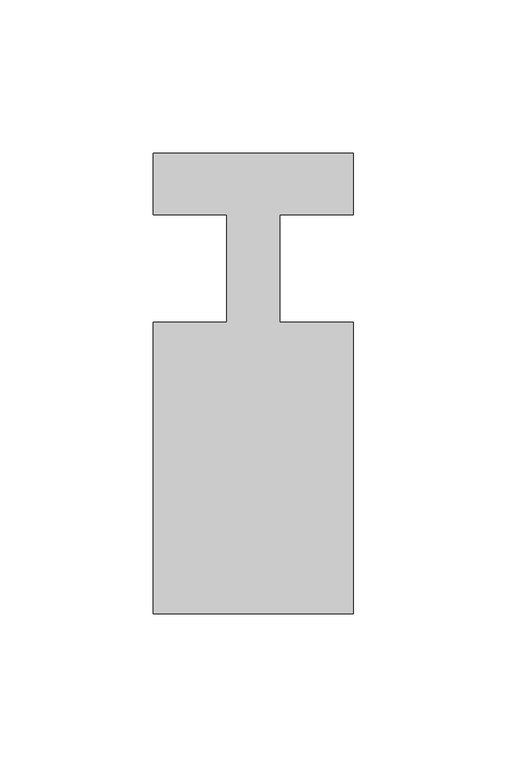
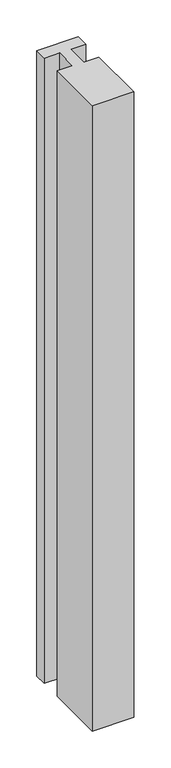
"""IFC4 building model written with IfcOpenShell, lengths in millimetres: member geometry."""

from ifc_helpers import new_model, si_unit, frame, origin, place, context, project, spatial, polyline, outline, extrude, source, transform, mapped, element, save


def member_aa9111b9(model_context):
    return source(origin(), model_context, "Body", "SweptSolid", [
        extrude(outline(polyline([(-65.0, 37.0), (0.0, 37.0), (0.0, 17.0), (-23.8125, 17.0), (-23.8125, -18.0), (0.0, -18.0), (0.0, -113.0), (-65.0, -113.0), (-65.0, -18.0), (-41.1875, -18.0), (-41.1875, 17.0), (-65.0, 17.0), (-65.0, 37.0)])), frame((0.0, 0.0, -1034.0982143), z_axis=(0.0, 0.0, 1.0), x_axis=(1.0, 0.0, 0.0)), (0.0, 0.0, 1.0), 1034.0982143),
    ])


if __name__ == "__main__":
    model = new_model("IFC4")
    model_context = context("Model", 3, world=origin())
    ifc_project = project(units=[si_unit("LENGTHUNIT", "METRE", prefix="MILLI")], contexts=[model_context])
    site = spatial("IfcSite", under=ifc_project)
    building = spatial("IfcBuilding", under=site)
    placement = place(None, origin())
    member_shape = member_aa9111b9(model_context)
    element("IfcMember", 1, at=placement, inside=building, context=model_context, shape_type="MappedRepresentation", body=[
        mapped(member_shape, transform((0.0, 0.0, 0.0), x_axis=(1.0, 0.0, 0.0), y_axis=(0.0, 1.0, 0.0), z_axis=(0.0, 0.0, 1.0))),
    ])
    save(model, "model.ifc")
